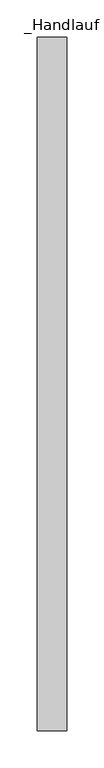
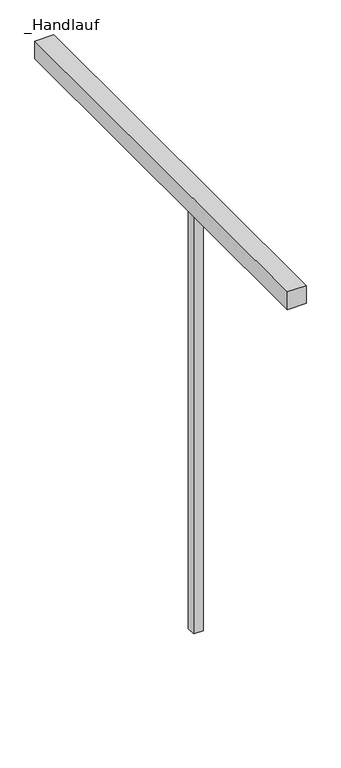
"""IFC4 building model written with IfcOpenShell, lengths in millimetres: railing geometry, _Handlauf."""

from ifc_helpers import new_model, si_unit, frame, origin, place, context, project, spatial, polyline, outline, extrude, source, transform, mapped, element, save


def handlauf_a1ebe7ce(model_context):
    return source(origin(), model_context, "Body", "SweptSolid", [
        extrude(outline(polyline([(1960.0, 6237.4), (2000.0, 6237.4), (2000.0, 5300.0), (1960.0, 5300.0), (1960.0, 6237.4)])), frame((0.0, 0.0, 7960.0), z_axis=(0.0, 0.0, 1.0), x_axis=(1.0, 0.0, 0.0)), (0.0, 0.0, 1.0), 40.0),
        extrude(outline(polyline([(1970.0, 5684.96), (1990.0, 5684.96), (1990.0, 5664.96), (1970.0, 5664.96), (1970.0, 5684.96)])), frame((0.0, 0.0, 7000.0), z_axis=(0.0, 0.0, 1.0), x_axis=(1.0, 0.0, 0.0)), (0.0, 0.0, 1.0), 960.0),
    ])


if __name__ == "__main__":
    model = new_model("IFC4")
    model_context = context("Model", 3, world=origin())
    ifc_project = project(units=[si_unit("LENGTHUNIT", "METRE", prefix="MILLI")], contexts=[model_context])
    site = spatial("IfcSite", under=ifc_project)
    building = spatial("IfcBuilding", under=site)
    placement = place(None, origin())
    handlauf_shape = handlauf_a1ebe7ce(model_context)
    element("IfcRailing", 1, ObjectType="_Handlauf", at=placement, inside=building, context=model_context, shape_type="MappedRepresentation", body=[
        mapped(handlauf_shape, transform((0.0, 0.0, 0.0), x_axis=(1.0, 0.0, 0.0), y_axis=(0.0, 1.0, 0.0), z_axis=(0.0, 0.0, 1.0))),
    ])
    save(model, "model.ifc")
